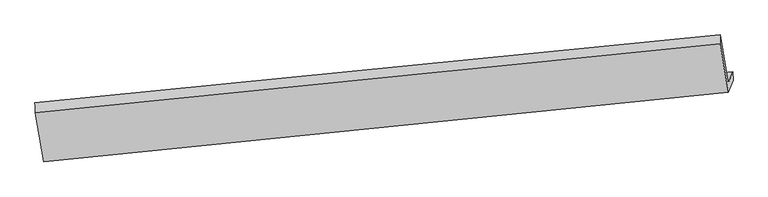
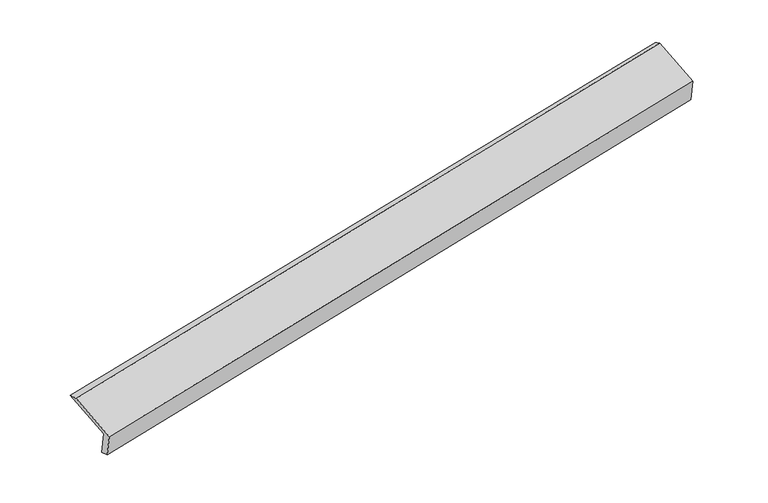
"""IFC4 building model written with IfcOpenShell, lengths in millimetres: proxy geometry."""

from ifc_helpers import new_model, si_unit, frame, origin, place, context, project, spatial, source, transform, mapped, element, save
from ifc_brep_helpers import plane_surface, spline_surface, advanced_brep


def generic_models_a1a88470(model_context):
    return source(origin(), model_context, "Body", "AdvancedBrep", [
        advanced_brep(
        [(-7588.7408949, -2033.6720388, 601.3125178), (-7655.4076627, -2205.3394877, 1033.4786724), (1965.2352746, -1241.5725075, 2884.1050169), (2029.0637562, -1077.2136677, 2470.3380027), (-7583.6823619, -2175.6159916, 649.3147043), (2030.9105354, -1200.6465979, 2525.1977896), (-7648.5906831, -2342.7554266, 1070.0817593), (1966.0022142, -1367.7860329, 2945.9648445), (-7767.2063819, -1659.1109199, 1323.3449592), (1847.3865154, -684.1415262, 3199.2280444), (-7774.7251439, -1517.6502412, 1288.2402881), (1847.5236704, -563.1387722, 3135.4378325)],
        [
            (0, 1),
            (1, 2),
            (2, 3),
            (3, 0),
            (4, 0),
            (3, 5),
            (5, 4),
            (6, 4),
            (5, 7),
            (7, 6),
            (8, 6),
            (7, 9),
            (9, 8),
            (10, 8),
            (9, 11),
            (11, 10),
            (1, 10),
            (11, 2),
        ],
        [
            plane_surface(frame((-7622.0742788, -2119.5057633, 817.3955951), z_axis=(-0.15876189082695297, 0.9257346738880903, 0.3432345780692292), x_axis=(-0.14191430805083272, -0.3654304541566169, 0.9199570165748735))),
            spline_surface(1, 1, [[(-7583.6823619, -2175.6159916, 649.3147043), (2030.9105354, -1200.6465979, 2525.1977896)], [(-7588.7408949, -2033.6720388, 601.3125178), (2029.0637562, -1077.2136677, 2470.3380027)]], [2, 2], [2, 2], [0.0, 1.0], [0.0, 1.0]),
            plane_surface(frame((-7616.1365225, -2259.1857091, 859.6982318), z_axis=(0.1607465994467025, -0.925534995677687, -0.34284909587488416), x_axis=(0.1419143080508513, 0.3654304541567269, -0.919957016574827))),
            plane_surface(frame((-7707.8985325, -2000.9331733, 1196.7133592), z_axis=(-0.14241039805009004, -0.365480727699679, 0.9198603786484818), x_axis=(0.16058769220386965, -0.9255511262358326, -0.3428800166767045))),
            spline_surface(1, 1, [[(-7774.7251439, -1517.6502412, 1288.2402881), (1847.5236704, -563.1387722, 3135.4378325)], [(-7767.2063819, -1659.1109199, 1323.3449592), (1847.3865154, -684.1415262, 3199.2280444)]], [2, 2], [2, 2], [0.0, 1.0], [0.0, 1.0]),
            plane_surface(frame((-7715.0664033, -1861.4948645, 1160.8594802), z_axis=(0.140425819930103, 0.36527906806013927, -0.9202455061200105), x_axis=(-0.16058769220387875, 0.9255511262358548, 0.3428800166766405))),
            plane_surface(frame((1947.6869944, -1022.4165174, 2860.0452551), z_axis=(0.9767660529948218, 0.09907419390736966, 0.190032580939485), x_axis=(0.16058769220386965, -0.9255511262358326, -0.3428800166767045))),
            plane_surface(frame((-7669.7255214, -1989.0240176, 994.2954835), z_axis=(-0.9767660529948445, -0.09907419390727745, -0.19003258093941652), x_axis=(0.14191430805083083, 0.3654304541566583, -0.9199570165748574))),
        ],
        [
            (0, [[1, 2, 3, 4]]),
            (1, [[5, -4, 6, 7]]),
            (2, [[8, -7, 9, 10]]),
            (3, [[11, -10, 12, 13]]),
            (4, [[14, -13, 15, 16]]),
            (5, [[17, -16, 18, -2]]),
            (6, [[-12, -9, -6, -3, -18, -15]]),
            (7, [[-1, -5, -8, -11, -14, -17]]),
        ],
    ),
    ])


if __name__ == "__main__":
    model = new_model("IFC4")
    model_context = context("Model", 3, world=origin())
    ifc_project = project(units=[si_unit("LENGTHUNIT", "METRE", prefix="MILLI")], contexts=[model_context])
    site = spatial("IfcSite", under=ifc_project)
    building = spatial("IfcBuilding", under=site)
    placement = place(None, origin())
    generic_models_shape = generic_models_a1a88470(model_context)
    element("IfcBuildingElementProxy", 1, Name="Generic Models", at=placement, inside=building, context=model_context, shape_type="MappedRepresentation", body=[
        mapped(generic_models_shape, transform((0.0, 0.0, 0.0), x_axis=(1.0, 0.0, 0.0), y_axis=(0.0, 1.0, 0.0), z_axis=(0.0, 0.0, 1.0))),
    ])
    save(model, "model.ifc")
